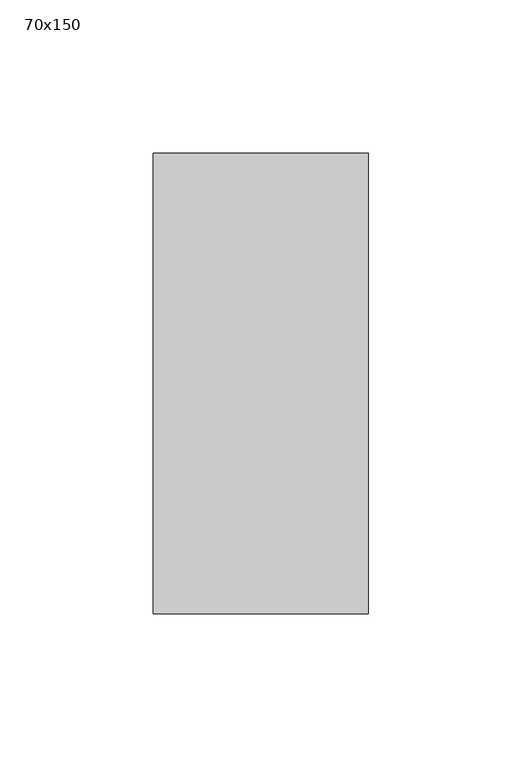
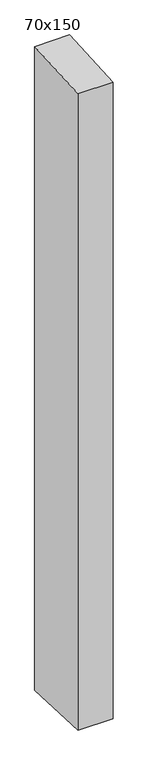
"""IFC4 building model written with IfcOpenShell, lengths in millimetres: member geometry, 70x150."""

from ifc_helpers import new_model, si_unit, frame, origin, place, context, project, spatial, polyline, outline, extrude, source, transform, mapped, element, save


def member_70x150_bcd02411(model_context):
    return source(origin(), model_context, "Body", "SweptSolid", [
        extrude(outline(polyline([(-75.0, -4.2711403), (75.0, 4.2711403), (75.0, -1354.2423423), (-75.0, -1348.1718398), (-75.0, -4.2711403)])), frame((-70.0, 0.0, 0.0), z_axis=(1.0, 0.0, 0.0), x_axis=(0.0, 1.0, 0.0)), (0.0, 0.0, 1.0), 70.0),
    ])


if __name__ == "__main__":
    model = new_model("IFC4")
    model_context = context("Model", 3, world=origin())
    ifc_project = project(units=[si_unit("LENGTHUNIT", "METRE", prefix="MILLI")], contexts=[model_context])
    site = spatial("IfcSite", under=ifc_project)
    building = spatial("IfcBuilding", under=site)
    placement = place(None, origin())
    member_70x150_shape = member_70x150_bcd02411(model_context)
    element("IfcMember", 1, ObjectType="70x150", at=placement, inside=building, context=model_context, shape_type="MappedRepresentation", body=[
        mapped(member_70x150_shape, transform((0.0, 0.0, 0.0), x_axis=(1.0, 0.0, 0.0), y_axis=(0.0, 1.0, 0.0), z_axis=(0.0, 0.0, 1.0))),
    ])
    save(model, "model.ifc")
